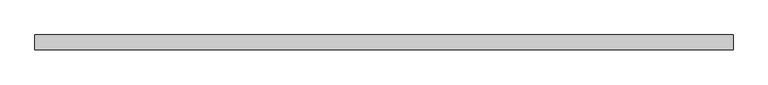
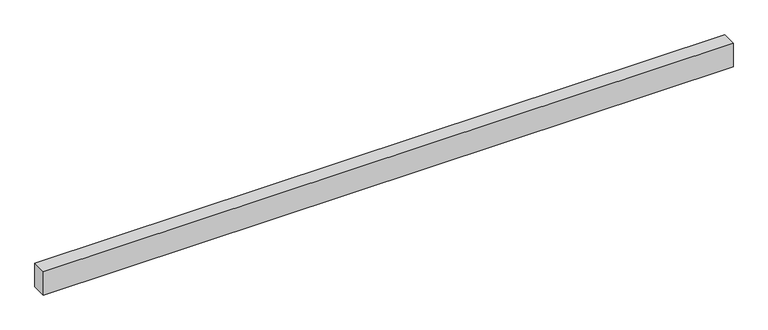
"""IFC4 building model written with IfcOpenShell, lengths in millimetres: proxy geometry."""

from ifc_helpers import new_model, si_unit, origin, origin_with_axes, place, context, project, spatial, polyline, outline, extrude, source, transform, mapped, element, save


def generic_models_4ff53bf5(model_context):
    return source(origin(), model_context, "Body", "SweptSolid", [
        extrude(outline(polyline([(14000.0, 300.0), (14000.0, 0.0), (0.0, 0.0), (0.0, 300.0), (14000.0, 300.0)])), origin_with_axes(), (0.0, 0.0, 1.0), 500.0),
    ])


if __name__ == "__main__":
    model = new_model("IFC4")
    model_context = context("Model", 3, world=origin())
    ifc_project = project(units=[si_unit("LENGTHUNIT", "METRE", prefix="MILLI")], contexts=[model_context])
    site = spatial("IfcSite", under=ifc_project)
    building = spatial("IfcBuilding", under=site)
    placement = place(None, origin())
    generic_models_shape = generic_models_4ff53bf5(model_context)
    element("IfcBuildingElementProxy", 1, Name="Generic Models", at=placement, inside=building, context=model_context, shape_type="MappedRepresentation", body=[
        mapped(generic_models_shape, transform((0.0, 0.0, 0.0), x_axis=(1.0, 0.0, 0.0), y_axis=(0.0, 1.0, 0.0), z_axis=(0.0, 0.0, 1.0))),
    ])
    save(model, "model.ifc")
